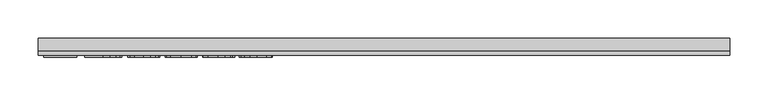
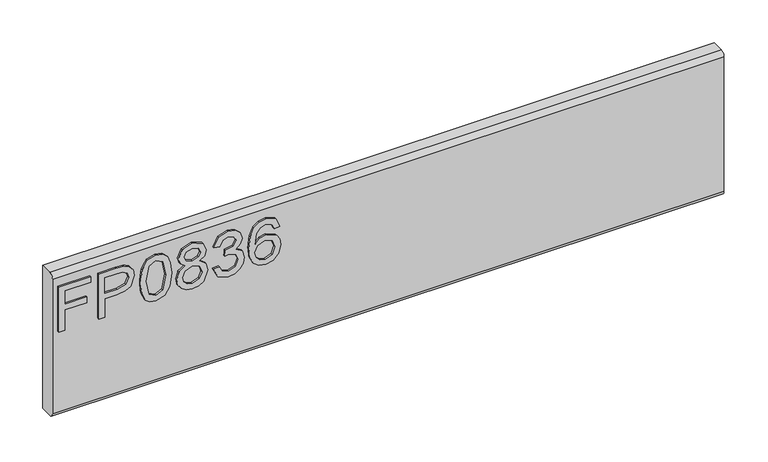
"""IFC4 building model written with IfcOpenShell, lengths in millimetres: furniture geometry."""

from ifc_helpers import new_model, si_unit, frame, origin, place, context, project, spatial, polyline, circle_curve, outline, extrude, source, transform, mapped, element, save
from ifc_brep_helpers import plane_surface, cylinder_surface, advanced_brep


def furniture_6ccec544(model_context):
    return source(origin(), model_context, "Body", "SolidModel", [
        extrude(outline(polyline([(273.05, -443.8729953), (273.05, -435.8992757), (301.9547336, -435.8992757), (301.9547336, -405.9978271), (309.9284532, -405.9978271), (309.9284532, -435.8992757), (328.8660373, -435.8992757), (328.8660373, -401.0142524), (336.8397569, -401.0142524), (336.8397569, -443.8729953), (273.05, -443.8729953)])), frame((0.0, -15.0812439, 0.0), z_axis=(0.0, 1.0, 0.0), x_axis=(0.0, 0.0, 1.0)), (0.0, 0.0, 1.0), 2.38125),
        extrude(outline(polyline([(273.05, -390.0503879), (273.05, -382.0766683), (298.9645888, -382.0766683), (298.9645888, -365.8644766), (300.374006, -354.5365776), (304.6022577, -347.3395948), (318.3849567, -342.2080702), (327.082852, -344.1080581), (333.2500257, -349.130567), (336.2323838, -356.8784684), (336.8397569, -366.4095551), (336.8397569, -390.0503879), (273.05, -390.0503879)]), holes=[polyline([(306.9383084, -382.0766683), (328.8660373, -382.0766683), (328.8660373, -365.5841506), (328.3209588, -357.6104309), (324.7078671, -352.2297276), (318.1046306, -350.1817898), (309.8661585, -353.6547185), (306.9383084, -365.3972665), (306.9383084, -382.0766683)])]), frame((0.0, -15.0812439, 0.0), z_axis=(0.0, 1.0, 0.0), x_axis=(0.0, 0.0, 1.0)), (0.0, 0.0, 1.0), 2.38125),
        extrude(outline(polyline([(304.4309473, -334.2343506), (288.9156775, -332.6458361), (278.1270168, -327.8802928), (273.571718, -321.5885296), (272.053285, -313.3033366), (275.5495742, -301.6308701), (286.1552443, -294.6927996), (304.4309473, -292.3723226), (319.4206058, -293.820674), (328.8582505, -297.5583551), (334.7840324, -303.9902813), (336.8397569, -313.3033366), (333.3668283, -324.9290821), (322.7845188, -331.8905131), (304.4309473, -334.2343506)]), holes=[polyline([(304.446521, -326.260631), (324.5988514, -322.3983605), (328.8660373, -313.3967786), (324.0226256, -303.9591339), (304.446521, -300.3460422), (284.6601718, -304.0837233), (280.0270047, -313.3033366), (284.6445982, -322.5229499), (304.446521, -326.260631)])]), frame((0.0, -15.0812439, 0.0), z_axis=(0.0, 1.0, 0.0), x_axis=(0.0, 0.0, 1.0)), (0.0, 0.0, 1.0), 2.38125),
        extrude(outline(polyline([(308.1842021, -273.7773593), (302.3907964, -282.3740257), (291.8318474, -285.3953179), (284.0742125, -283.9547533), (277.7143145, -279.6330596), (273.4685424, -272.9597415), (272.053285, -264.4643039), (273.4627023, -255.9688663), (277.690954, -249.2955482), (291.613816, -243.5332899), (301.9313731, -246.4377796), (308.1842021, -254.9176435), (313.113269, -247.8549837), (320.6275653, -245.5267198), (332.1209346, -250.7594733), (336.8397569, -264.5733196), (332.2299503, -278.2625765), (320.8455967, -283.401888), (313.1366295, -281.0424768), (308.1842021, -273.7773593)]), holes=[polyline([(320.6119916, -275.4281684), (326.4365446, -272.5548261), (328.8660373, -264.4643039), (326.3820368, -256.3971423), (320.2537972, -253.5004395), (314.3358022, -256.3037003), (311.9218831, -264.3708619), (314.3513758, -272.6015471), (320.6119916, -275.4281684)]), polyline([(292.1121735, -277.4215983), (300.5686769, -274.0498985), (303.9481635, -264.6667617), (300.5219559, -255.0110856), (291.8629947, -251.5070095), (283.3675571, -254.9020699), (280.0270047, -264.4020092), (281.6155191, -271.3790139), (286.1085232, -276.0900494), (292.1121735, -277.4215983)])]), frame((0.0, -15.0812439, 0.0), z_axis=(0.0, 1.0, 0.0), x_axis=(0.0, 0.0, 1.0)), (0.0, 0.0, 1.0), 2.38125),
        extrude(outline(polyline([(289.9941542, -236.5562853), (277.0524335, -230.2178011), (272.053285, -216.2326444), (273.5172101, -207.7099529), (277.9089854, -200.7991364), (284.4032063, -196.220477), (292.1744681, -194.6942573), (302.5465331, -197.7466968), (307.997318, -206.4368053), (313.2767925, -199.8958634), (320.6275653, -197.6844021), (328.6713664, -200.012666), (334.6516562, -206.7404919), (336.8397569, -216.3572338), (332.4012607, -229.0342021), (319.8956028, -235.5595703), (318.8988878, -227.5858507), (326.3742499, -223.6768592), (328.8660373, -216.0769077), (326.3976105, -208.5703982), (320.1603552, -205.6581217), (313.1210558, -209.6761289), (310.9251682, -220.0014729), (302.9514486, -220.8891721), (303.8235742, -215.2982242), (300.56089, -206.2343476), (292.3146312, -202.6679769), (283.562228, -206.2654949), (280.0270047, -215.9523184), (282.5966604, -224.1830036), (290.9908691, -228.5825656), (289.9941542, -236.5562853)])), frame((0.0, -15.0812439, 0.0), z_axis=(0.0, 1.0, 0.0), x_axis=(0.0, 0.0, 1.0)), (0.0, 0.0, 1.0), 2.38125),
        extrude(outline(polyline([(319.8956028, -146.8519396), (332.338966, -152.7387872), (336.8397569, -165.3378872), (335.0215308, -174.5925413), (329.5668525, -181.7369629), (318.7081103, -186.9697164), (302.8268592, -188.7139676), (288.7015395, -187.1429735), (279.2171738, -182.4299913), (273.8442572, -175.2252216), (272.053285, -166.1788654), (274.755317, -155.7289321), (282.5421526, -148.487175), (293.5449512, -145.8552246), (301.7172351, -147.2529616), (308.2309231, -151.4461725), (313.915313, -164.9952664), (311.8362279, -173.7087354), (305.4743833, -180.7402479), (319.6853582, -178.4742788), (326.9349021, -173.0312807), (328.8660373, -165.8362447), (325.5488454, -157.8469514), (318.8988878, -154.8256592), (319.8956028, -146.8519396)]), holes=[polyline([(293.6695406, -180.7402479), (302.55432, -176.7767486), (305.9415934, -167.1288594), (302.55432, -157.3563807), (293.2801988, -153.8289442), (283.5933754, -157.4031017), (280.0270047, -166.8018123), (281.7478953, -173.9890615), (286.7626174, -178.8947679), (293.6695406, -180.7402479)])]), frame((0.0, -15.0812439, 0.0), z_axis=(0.0, 1.0, 0.0), x_axis=(0.0, 0.0, 1.0)), (0.0, 0.0, 1.0), 2.38125),
        advanced_brep(
        [(450.85, 9.5250061, 355.6), (450.85, -6.7309939, 355.6), (450.85, -12.6999939, 349.631), (450.85, -12.6999939, 158.369), (450.85, -6.7309939, 152.4), (450.85, 9.5250061, 152.4), (-450.85, 9.5250061, 355.6), (-450.85, 9.5250061, 152.4), (-450.85, -6.7309939, 152.4), (-450.85, -12.6999939, 158.369), (-450.85, -12.6999939, 349.6310121), (-450.85, -6.7309939, 355.6)],
        [
            (0, 1),
            (1, 2, circle_curve(frame((450.85, -6.7309939, 349.631), z_axis=(1.0, 0.0, 0.0), x_axis=(0.0, 1.0, 0.0)), 5.969)),
            (2, 3),
            (3, 4, circle_curve(frame((450.85, -6.7309939, 158.369), z_axis=(1.0, 0.0, 0.0), x_axis=(0.0, 1.0, 0.0)), 5.969)),
            (4, 5),
            (5, 0),
            (6, 7),
            (7, 8),
            (8, 9, circle_curve(frame((-450.85, -6.7309939, 158.369), z_axis=(-1.0, 0.0, 0.0), x_axis=(0.0, 1.0, 0.0)), 5.969)),
            (9, 10),
            (10, 11, circle_curve(frame((-450.85, -6.7309939, 349.631), z_axis=(-1.0, 0.0, 0.0), x_axis=(0.0, 1.0, 0.0)), 5.969)),
            (11, 6),
            (0, 6),
            (11, 1),
            (10, 2),
            (9, 3),
            (8, 4),
            (7, 5),
        ],
        [
            plane_surface(frame((450.85, -6.7309939, 355.6), z_axis=(1.0, 0.0, 0.0), x_axis=(0.0, -1.0, 0.0))),
            plane_surface(frame((-450.85, -6.7309939, 355.6), z_axis=(-1.0, 0.0, 0.0), x_axis=(0.0, 1.0, 0.0))),
            plane_surface(frame((450.85, 9.5250061, 355.6), z_axis=(0.0, 0.0, 1.0), x_axis=(-1.0, 0.0, 0.0))),
            cylinder_surface(frame((-450.85, -6.7309939, 349.631), z_axis=(1.0, 0.0, 0.0), x_axis=(0.0, 1.0, 0.0)), 5.969),
            plane_surface(frame((450.85, -12.6999939, 349.6310121), z_axis=(0.0, -1.0, 0.0), x_axis=(-1.0, 0.0, 0.0))),
            cylinder_surface(frame((-450.85, -6.7309939, 158.369), z_axis=(1.0, 0.0, 0.0), x_axis=(0.0, 1.0, 0.0)), 5.969),
            plane_surface(frame((450.85, -6.7309939, 152.4), z_axis=(0.0, 0.0, -1.0), x_axis=(-1.0, 0.0, 0.0))),
            plane_surface(frame((450.85, 9.5250061, 152.4), z_axis=(0.0, 1.0, 0.0), x_axis=(-1.0, 0.0, 0.0))),
        ],
        [
            (0, [[1, 2, 3, 4, 5, 6]]),
            (1, [[7, 8, 9, 10, 11, 12]]),
            (2, [[-1, 13, -12, 14]]),
            (3, [[-2, -14, -11, 15]]),
            (4, [[-3, -15, -10, 16]]),
            (5, [[-4, -16, -9, 17]]),
            (6, [[-5, -17, -8, 18]]),
            (7, [[-6, -18, -7, -13]]),
        ],
    ),
    ])


if __name__ == "__main__":
    model = new_model("IFC4")
    model_context = context("Model", 3, world=origin())
    ifc_project = project(units=[si_unit("LENGTHUNIT", "METRE", prefix="MILLI")], contexts=[model_context])
    site = spatial("IfcSite", under=ifc_project)
    building = spatial("IfcBuilding", under=site)
    placement = place(None, origin())
    furniture_shape = furniture_6ccec544(model_context)
    element("IfcFurniture", 1, at=placement, inside=building, context=model_context, shape_type="MappedRepresentation", body=[
        mapped(furniture_shape, transform((0.0, 0.0, 0.0), x_axis=(1.0, 0.0, 0.0), y_axis=(0.0, 1.0, 0.0), z_axis=(0.0, 0.0, 1.0))),
    ])
    save(model, "model.ifc")
